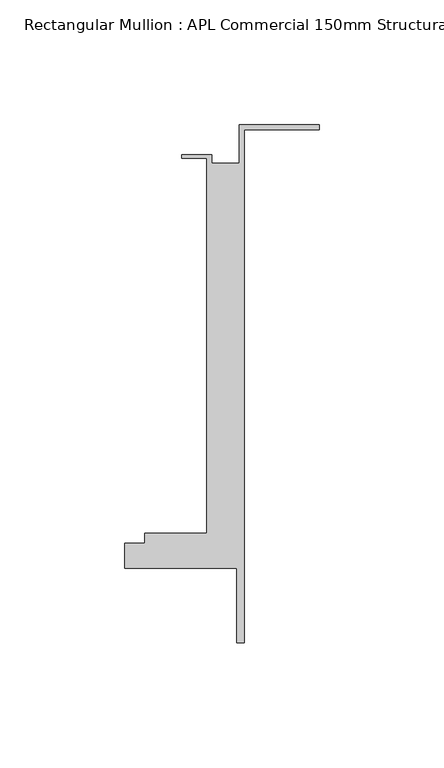
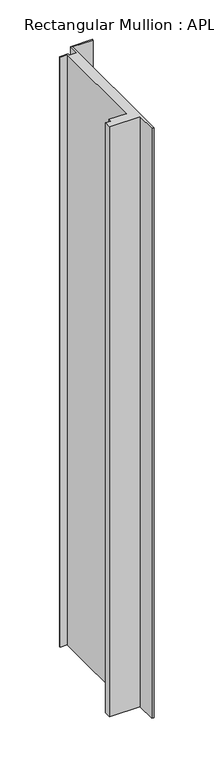
"""IFC4 building model written with IfcOpenShell, lengths in millimetres: member geometry, Rectangular Mullion : APL Commercial 150mm Structural Glaze SubSill."""

from ifc_helpers import new_model, si_unit, frame, origin, place, context, project, spatial, polyline, outline, extrude, source, transform, mapped, element, save


def rectangular_mullion_apl_commercial_150mm_structural_glaze_1864747d(model_context):
    return source(origin(), model_context, "Body", "SweptSolid", [
        extrude(outline(polyline([(-32.0, 41.25), (0.0, 41.25), (0.0, 39.25), (-30.0, 39.25), (-30.0, -166.75), (-33.0000284, -166.75), (-33.0000284, -136.75), (-78.0000284, -136.75), (-78.0000284, -126.75), (-70.0000284, -126.75), (-70.0000284, -122.75), (-45.0, -122.75), (-45.0, 27.75), (-55.0, 27.75), (-55.0, 29.25), (-43.0, 29.25), (-43.0, 25.75), (-32.0, 25.75), (-32.0, 41.25)])), frame((0.0, 0.0, -914.024104), z_axis=(0.0, 0.0, 1.0), x_axis=(1.0, 0.0, 0.0)), (0.0, 0.0, 1.0), 914.024104),
    ])


if __name__ == "__main__":
    model = new_model("IFC4")
    model_context = context("Model", 3, world=origin())
    ifc_project = project(units=[si_unit("LENGTHUNIT", "METRE", prefix="MILLI")], contexts=[model_context])
    site = spatial("IfcSite", under=ifc_project)
    building = spatial("IfcBuilding", under=site)
    placement = place(None, origin())
    rectangular_mullion_apl_commercial_150mm_structural_glaze_shape = rectangular_mullion_apl_commercial_150mm_structural_glaze_1864747d(model_context)
    element("IfcMember", 1, ObjectType="Rectangular Mullion : APL Commercial 150mm Structural Glaze SubSill", at=placement, inside=building, context=model_context, shape_type="MappedRepresentation", body=[
        mapped(rectangular_mullion_apl_commercial_150mm_structural_glaze_shape, transform((0.0, 0.0, 0.0), x_axis=(1.0, 0.0, 0.0), y_axis=(0.0, 1.0, 0.0), z_axis=(0.0, 0.0, 1.0))),
    ])
    save(model, "model.ifc")
